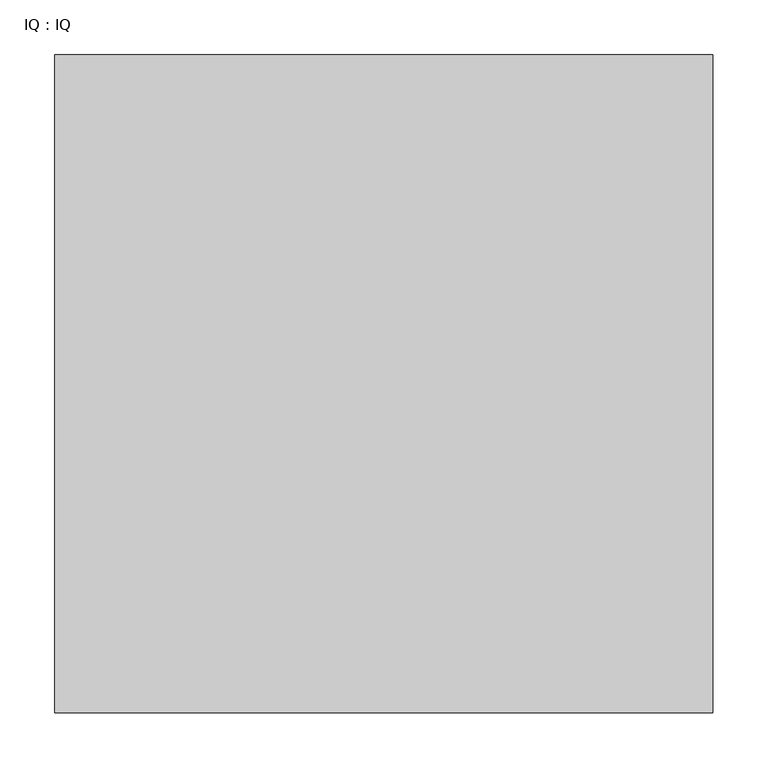
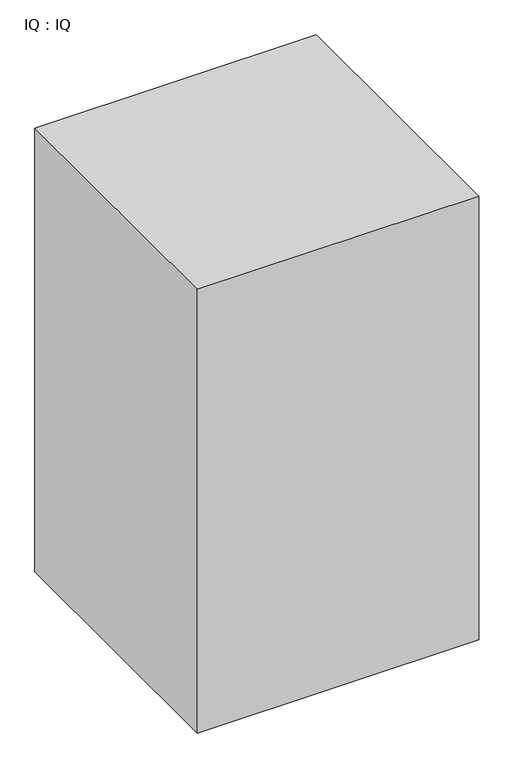
"""IFC4 building model written with IfcOpenShell, lengths in millimetres: proxy geometry, IQ : IQ."""

from ifc_helpers import new_model, si_unit, origin, origin_with_axes, place, context, project, spatial, polyline, outline, extrude, source, transform, mapped, element, save


def iq_iq_02a066df(model_context):
    return source(origin(), model_context, "Body", "SweptSolid", [
        extrude(outline(polyline([(600.0, 600.0), (600.0, 0.0), (0.0, 0.0), (0.0, 600.0), (600.0, 600.0)])), origin_with_axes(), (0.0, 0.0, 1.0), 1000.0),
    ])


if __name__ == "__main__":
    model = new_model("IFC4")
    model_context = context("Model", 3, world=origin())
    ifc_project = project(units=[si_unit("LENGTHUNIT", "METRE", prefix="MILLI")], contexts=[model_context])
    site = spatial("IfcSite", under=ifc_project)
    building = spatial("IfcBuilding", under=site)
    placement = place(None, origin())
    iq_iq_shape = iq_iq_02a066df(model_context)
    element("IfcBuildingElementProxy", 1, Name="IQ : IQ", ObjectType="IQ : IQ", at=placement, inside=building, context=model_context, shape_type="MappedRepresentation", body=[
        mapped(iq_iq_shape, transform((0.0, 0.0, 0.0), x_axis=(1.0, 0.0, 0.0), y_axis=(0.0, 1.0, 0.0), z_axis=(0.0, 0.0, 1.0))),
    ])
    save(model, "model.ifc")
